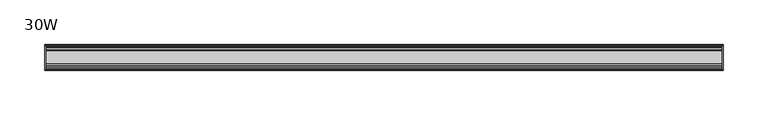
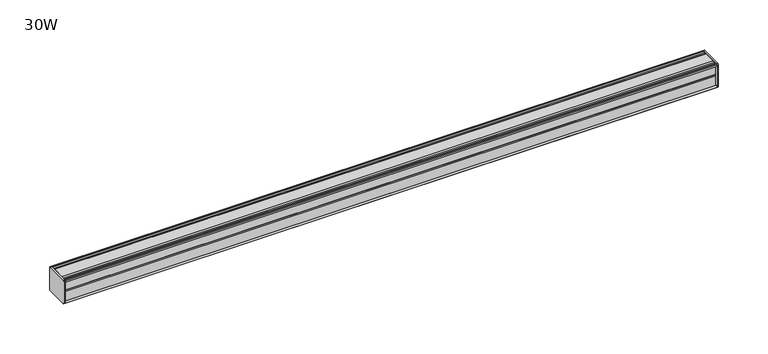
"""IFC4 building model written with IfcOpenShell, lengths in millimetres: furniture geometry, 30W."""

from ifc_helpers import new_model, si_unit, frame, origin, place, context, project, spatial, circle_curve, source, transform, mapped, element, save
from ifc_brep_helpers import plane_surface, cylinder_surface, advanced_brep


def furniture_30w_c94cd3f0(model_context):
    return source(origin(), model_context, "Body", "AdvancedBrep", [
        advanced_brep(
        [(379.4125, 14.5851562, 1370.1742662), (379.4125, 14.5851562, 1344.0239277), (379.4125, 14.4138595, 1343.2180397), (379.4125, 13.8374434, 1342.6416237), (379.4125, 12.9019306, 1342.3909531), (379.4125, -13.4067434, 1342.3909531), (379.4125, -14.3040014, 1343.2882111), (379.4125, -14.5851563, 1344.0566198), (379.4125, -14.5851563, 1369.9749727), (379.4125, -14.3040014, 1370.7433814), (379.4125, -13.4464303, 1371.6009525), (379.4125, 13.0500437, 1371.6009525), (379.4125, 13.8374434, 1371.3899688), (379.4125, 14.4138595, 1370.8135528), (381.0, 14.6248431, 1370.0261531), (381.0, 14.4138595, 1370.8135528), (381.0, 13.8374434, 1371.3899688), (381.0, 13.0500437, 1371.6009525), (381.0, -13.4464303, 1371.6009525), (381.0, -14.3040014, 1370.7433814), (381.0, -14.5851563, 1369.9749727), (381.0, -14.5851563, 1344.0566198), (381.0, -14.3040014, 1343.2882111), (381.0, -13.4067434, 1342.3909531), (381.0, 12.9019306, 1342.3909531), (381.0, 13.8374434, 1342.6416237), (381.0, 14.4138595, 1343.2180397), (381.0, 14.5851562, 1344.0239277)],
        [
            (0, 1),
            (1, 2),
            (2, 3),
            (3, 4),
            (4, 5),
            (5, 6),
            (6, 7, circle_curve(frame((379.4125, -13.3945313, 1344.0566198), z_axis=(-1.0, 0.0, 0.0), x_axis=(0.0, 1.0, 0.0)), 1.190625)),
            (7, 8),
            (8, 9, circle_curve(frame((379.4125, -13.3945313, 1369.9749727), z_axis=(-1.0, 0.0, 0.0), x_axis=(0.0, 1.0, 0.0)), 1.190625)),
            (9, 10),
            (10, 11),
            (11, 12),
            (12, 13),
            (13, 0),
            (14, 15),
            (15, 16),
            (16, 17),
            (17, 18),
            (18, 19),
            (19, 20, circle_curve(frame((381.0, -13.3945313, 1369.9749727), z_axis=(1.0, 0.0, 0.0), x_axis=(0.0, 1.0, 0.0)), 1.190625)),
            (20, 21),
            (21, 22, circle_curve(frame((381.0, -13.3945313, 1344.0566198), z_axis=(1.0, 0.0, 0.0), x_axis=(0.0, 1.0, 0.0)), 1.190625)),
            (22, 23),
            (23, 24),
            (24, 25),
            (25, 26),
            (26, 27),
            (27, 14),
            (13, 15),
            (14, 0),
            (12, 16),
            (11, 17),
            (10, 18),
            (9, 19),
            (8, 20),
            (7, 21),
            (6, 22),
            (5, 23),
            (4, 24),
            (3, 25),
            (2, 26),
            (1, 27),
        ],
        [
            plane_surface(frame((379.4125, 14.5851562, 1344.0239277), z_axis=(-1.0, 0.0, 0.0), x_axis=(0.0, 0.0, -1.0))),
            plane_surface(frame((381.0, 14.5851562, 1344.0239277), z_axis=(1.0, 0.0, 0.0), x_axis=(0.0, 0.0, 1.0))),
            plane_surface(frame((379.4125, 14.4138595, 1370.8135528), z_axis=(0.0, 0.9659256560349851, 0.25881968049857335), x_axis=(1.0, 0.0, 0.0))),
            plane_surface(frame((379.4125, 13.8374434, 1371.3899688), z_axis=(0.0, 0.7071067811866345, 0.7071067811864606), x_axis=(1.0, 0.0, 0.0))),
            plane_surface(frame((379.4125, 13.0500437, 1371.6009525), z_axis=(0.0, 0.2588196804711877, 0.9659256560423232), x_axis=(1.0, 0.0, 0.0))),
            plane_surface(frame((379.4125, -13.4464303, 1371.6009525), z_axis=(0.0, 0.0, 1.0), x_axis=(1.0, 0.0, 0.0))),
            plane_surface(frame((379.4125, -14.3040014, 1370.7433814), z_axis=(0.0, -0.70710678117674, 0.7071067811963553), x_axis=(1.0, 0.0, 0.0))),
            cylinder_surface(frame((381.0, -13.3945313, 1369.9749727), z_axis=(-1.0, 0.0, 0.0), x_axis=(0.0, 1.0, 0.0)), 1.190625),
            plane_surface(frame((379.4125, -14.5851563, 1344.0566198), z_axis=(0.0, -1.0, 0.0), x_axis=(1.0, 0.0, 0.0))),
            cylinder_surface(frame((381.0, -13.3945313, 1344.0566198), z_axis=(-1.0, 0.0, 0.0), x_axis=(0.0, 1.0, 0.0)), 1.190625),
            plane_surface(frame((379.4125, -13.4067434, 1342.3909531), z_axis=(0.0, -0.7071067811916553, -0.7071067811814398), x_axis=(1.0, 0.0, 0.0))),
            plane_surface(frame((379.4125, 12.9019306, 1342.3909531), z_axis=(0.0, 0.0, -1.0), x_axis=(1.0, 0.0, 0.0))),
            plane_surface(frame((379.4125, 13.8374434, 1342.6416237), z_axis=(0.0, 0.2588196804985645, -0.9659256560349875), x_axis=(1.0, 0.0, 0.0))),
            plane_surface(frame((379.4125, 14.4138595, 1343.2180397), z_axis=(0.0, 0.7071067811865204, -0.7071067811865748), x_axis=(1.0, 0.0, 0.0))),
            plane_surface(frame((379.4125, 14.5851562, 1344.0239277), z_axis=(0.0, 0.9781476007310527, -0.207911690830711), x_axis=(1.0, 0.0, 0.0))),
            plane_surface(frame((379.4125, 14.5851562, 1370.1742662), z_axis=(0.0, 1.0, 0.0), x_axis=(1.0, 0.0, 0.0))),
        ],
        [
            (0, [[1, 2, 3, 4, 5, 6, 7, 8, 9, 10, 11, 12, 13, 14]]),
            (1, [[15, 16, 17, 18, 19, 20, 21, 22, 23, 24, 25, 26, 27, 28]]),
            (2, [[-14, 29, -15, 30]]),
            (3, [[-13, 31, -16, -29]]),
            (4, [[-12, 32, -17, -31]]),
            (5, [[-11, 33, -18, -32]]),
            (6, [[-10, 34, -19, -33]]),
            (7, [[-9, 35, -20, -34]]),
            (8, [[-8, 36, -21, -35]]),
            (9, [[-7, 37, -22, -36]]),
            (10, [[-6, 38, -23, -37]]),
            (11, [[-5, 39, -24, -38]]),
            (12, [[-4, 40, -25, -39]]),
            (13, [[-3, 41, -26, -40]]),
            (14, [[-2, 42, -27, -41]]),
            (15, [[-1, -30, -28, -42]]),
        ],
    ),
        advanced_brep(
        [(-379.4125, 14.6248431, 1370.0261531), (-379.4125, 14.4138595, 1370.8135528), (-379.4125, 13.8374434, 1371.3899688), (-379.4125, 13.0500437, 1371.6009525), (-379.4125, -13.4464303, 1371.6009525), (-379.4125, -14.3040014, 1370.7433814), (-379.4125, -14.5851563, 1369.9749727), (-379.4125, -14.5851563, 1344.0566198), (-379.4125, -14.3040014, 1343.2882111), (-379.4125, -13.4067434, 1342.3909531), (-379.4125, 12.9019306, 1342.3909531), (-379.4125, 13.8374434, 1342.6416237), (-379.4125, 14.4138595, 1343.2180397), (-379.4125, 14.5851562, 1344.0239277), (-381.0, 14.5851562, 1370.1742662), (-381.0, 14.5851562, 1344.0239277), (-381.0, 14.4138595, 1343.2180397), (-381.0, 13.8374434, 1342.6416237), (-381.0, 12.9019306, 1342.3909531), (-381.0, -13.4067434, 1342.3909531), (-381.0, -14.3040014, 1343.2882111), (-381.0, -14.5851563, 1344.0566198), (-381.0, -14.5851563, 1369.9749727), (-381.0, -14.3040014, 1370.7433814), (-381.0, -13.4464303, 1371.6009525), (-381.0, 13.0500437, 1371.6009525), (-381.0, 13.8374434, 1371.3899688), (-381.0, 14.4138595, 1370.8135528)],
        [
            (0, 1),
            (1, 2),
            (2, 3),
            (3, 4),
            (4, 5),
            (5, 6, circle_curve(frame((-379.4125, -13.3945313, 1369.9749727), z_axis=(1.0, 0.0, 0.0), x_axis=(0.0, 1.0, 0.0)), 1.190625)),
            (6, 7),
            (7, 8, circle_curve(frame((-379.4125, -13.3945313, 1344.0566198), z_axis=(1.0, 0.0, 0.0), x_axis=(0.0, 1.0, 0.0)), 1.190625)),
            (8, 9),
            (9, 10),
            (10, 11),
            (11, 12),
            (12, 13),
            (13, 0),
            (14, 15),
            (15, 16),
            (16, 17),
            (17, 18),
            (18, 19),
            (19, 20),
            (20, 21, circle_curve(frame((-381.0, -13.3945313, 1344.0566198), z_axis=(-1.0, 0.0, 0.0), x_axis=(0.0, 1.0, 0.0)), 1.190625)),
            (21, 22),
            (22, 23, circle_curve(frame((-381.0, -13.3945313, 1369.9749727), z_axis=(-1.0, 0.0, 0.0), x_axis=(0.0, 1.0, 0.0)), 1.190625)),
            (23, 24),
            (24, 25),
            (25, 26),
            (26, 27),
            (27, 14),
            (0, 14),
            (27, 1),
            (26, 2),
            (25, 3),
            (24, 4),
            (23, 5),
            (22, 6),
            (21, 7),
            (20, 8),
            (19, 9),
            (18, 10),
            (17, 11),
            (16, 12),
            (15, 13),
        ],
        [
            plane_surface(frame((-379.4125, 14.6248431, 1370.0261531), z_axis=(1.0, 0.0, 0.0), x_axis=(0.0, -0.2588196804390474, 0.965925656050935))),
            plane_surface(frame((-381.0, 14.6248431, 1370.0261531), z_axis=(-1.0, 0.0, 0.0), x_axis=(0.0, 0.2588196804390474, -0.965925656050935))),
            plane_surface(frame((-379.4125, 14.6248431, 1370.0261531), z_axis=(0.0, 0.965925656050935, 0.2588196804390474), x_axis=(-1.0, 0.0, 0.0))),
            plane_surface(frame((-379.4125, 14.4138595, 1370.8135528), z_axis=(0.0, 0.7071067810676273, 0.7071067813054679), x_axis=(-1.0, 0.0, 0.0))),
            plane_surface(frame((-379.4125, 13.8374434, 1371.3899688), z_axis=(0.0, 0.2588196804841774, 0.9659256560388426), x_axis=(-1.0, 0.0, 0.0))),
            plane_surface(frame((-379.4125, 13.0500437, 1371.6009525), z_axis=(0.0, 0.0, 1.0), x_axis=(-1.0, 0.0, 0.0))),
            plane_surface(frame((-379.4125, -13.4464303, 1371.6009525), z_axis=(0.0, -0.7071067811882461, 0.7071067811848489), x_axis=(-1.0, 0.0, 0.0))),
            cylinder_surface(frame((-381.0, -13.3945313, 1369.9749727), z_axis=(1.0, 0.0, 0.0), x_axis=(0.0, 1.0, 0.0)), 1.190625),
            plane_surface(frame((-379.4125, -14.5851563, 1369.9749727), z_axis=(0.0, -1.0, 0.0), x_axis=(-1.0, 0.0, 0.0))),
            cylinder_surface(frame((-381.0, -13.3945313, 1344.0566198), z_axis=(1.0, 0.0, 0.0), x_axis=(0.0, 1.0, 0.0)), 1.190625),
            plane_surface(frame((-379.4125, -14.3040014, 1343.2882111), z_axis=(0.0, -0.7071067811865326, -0.7071067811865626), x_axis=(-1.0, 0.0, 0.0))),
            plane_surface(frame((-379.4125, -13.4067434, 1342.3909531), z_axis=(0.0, 0.0, -1.0), x_axis=(-1.0, 0.0, 0.0))),
            plane_surface(frame((-379.4125, 12.9019306, 1342.3909531), z_axis=(0.0, 0.25881968049856513, -0.9659256560349874), x_axis=(-1.0, 0.0, 0.0))),
            plane_surface(frame((-379.4125, 13.8374434, 1342.6416237), z_axis=(0.0, 0.707106781186519, -0.7071067811865761), x_axis=(-1.0, 0.0, 0.0))),
            plane_surface(frame((-379.4125, 14.4138595, 1343.2180397), z_axis=(0.0, 0.9781476007314348, -0.20791169082891317), x_axis=(-1.0, 0.0, 0.0))),
            plane_surface(frame((-379.4125, 14.5851562, 1344.0239277), z_axis=(0.0, 1.0, 0.0), x_axis=(-1.0, 0.0, 0.0))),
        ],
        [
            (0, [[1, 2, 3, 4, 5, 6, 7, 8, 9, 10, 11, 12, 13, 14]]),
            (1, [[15, 16, 17, 18, 19, 20, 21, 22, 23, 24, 25, 26, 27, 28]]),
            (2, [[-1, 29, -28, 30]]),
            (3, [[-2, -30, -27, 31]]),
            (4, [[-3, -31, -26, 32]]),
            (5, [[-4, -32, -25, 33]]),
            (6, [[-5, -33, -24, 34]]),
            (7, [[-6, -34, -23, 35]]),
            (8, [[-7, -35, -22, 36]]),
            (9, [[-8, -36, -21, 37]]),
            (10, [[-9, -37, -20, 38]]),
            (11, [[-10, -38, -19, 39]]),
            (12, [[-11, -39, -18, 40]]),
            (13, [[-12, -40, -17, 41]]),
            (14, [[-13, -41, -16, 42]]),
            (15, [[-14, -42, -15, -29]]),
        ],
    ),
        advanced_brep(
        [(379.4125, -7.3748315, 1371.6009525), (379.4125, -8.9105708, 1370.5702196), (379.4125, -10.7601399, 1370.5702196), (379.4125, -12.2958792, 1371.6009525), (379.4125, -13.4464303, 1371.6009525), (379.4125, -14.3040014, 1370.7433814), (379.4125, -13.3945313, 1368.7843477), (379.4125, -13.3945313, 1369.695952), (379.4125, -12.2039063, 1369.695952), (379.4125, -12.2039063, 1357.7897032), (379.4125, -11.4101564, 1356.9959534), (379.4125, -12.2039063, 1356.2022036), (379.4125, -12.2039063, 1344.2959531), (379.4125, -13.3945313, 1344.2959531), (379.4125, -13.3945313, 1345.2472448), (379.4125, -14.3040014, 1343.2882111), (379.4125, -13.4067434, 1342.3909531), (379.4125, -12.2958792, 1342.3909531), (379.4125, -10.7601399, 1343.4216871), (379.4125, -8.9105708, 1343.4216871), (379.4125, -7.4339628, 1342.43064), (379.4125, 7.4145184, 1342.43064), (379.4125, 8.9502576, 1343.4613729), (379.4125, 10.7998291, 1343.4613729), (379.4125, 12.2275037, 1342.43064), (379.4125, 13.0500437, 1342.43064), (379.4125, 13.8374434, 1342.6416237), (379.4125, 14.4138595, 1343.2180397), (379.4125, 14.5851562, 1344.0239277), (379.4125, 14.5851562, 1370.1742662), (379.4125, 14.4138595, 1370.8135528), (379.4125, 13.8374434, 1371.3899688), (379.4125, 13.0500437, 1371.6009525), (379.4125, 12.2275037, 1371.6009525), (379.4125, 10.7998291, 1370.5702196), (379.4125, 8.9502576, 1370.5702196), (379.4125, 7.4145184, 1371.6009525), (-379.4125, -7.3748315, 1371.6009525), (-379.4125, 7.4145184, 1371.6009525), (-379.4125, 8.9502576, 1370.5702196), (-379.4125, 10.7998291, 1370.5702196), (-379.4125, 12.2275037, 1371.6009525), (-379.4125, 13.0500437, 1371.6009525), (-379.4125, 13.8374434, 1371.3899688), (-379.4125, 14.4138595, 1370.8135528), (-379.4125, 14.6248431, 1370.0261531), (-379.4125, 14.5851562, 1344.0239277), (-379.4125, 14.4138595, 1343.2180397), (-379.4125, 13.8374434, 1342.6416237), (-379.4125, 13.0500437, 1342.43064), (-379.4125, 12.2275037, 1342.43064), (-379.4125, 10.7998291, 1343.4613729), (-379.4125, 8.9502576, 1343.4613729), (-379.4125, 7.4145184, 1342.43064), (-379.4125, -7.4339628, 1342.43064), (-379.4125, -8.9105708, 1343.4216871), (-379.4125, -10.7601399, 1343.4216871), (-379.4125, -12.2958792, 1342.3909531), (-379.4125, -13.4067434, 1342.3909531), (-379.4125, -14.3040014, 1343.2882111), (-379.4125, -13.3945313, 1345.2472448), (-379.4125, -13.3945313, 1344.2959531), (-379.4125, -12.2039063, 1344.2959531), (-379.4125, -12.2039063, 1356.2022036), (-379.4125, -11.4101564, 1356.9959534), (-379.4125, -12.2039063, 1357.7897032), (-379.4125, -12.2039063, 1369.695952), (-379.4125, -13.3945313, 1369.695952), (-379.4125, -13.3945313, 1368.7843477), (-379.4125, -14.3040014, 1370.7433814), (-379.4125, -13.4464303, 1371.6009525), (-379.4125, -12.2958792, 1371.6009525), (-379.4125, -10.7601399, 1370.5702196), (-379.4125, -8.9105708, 1370.5702196)],
        [
            (0, 1),
            (1, 2),
            (2, 3),
            (3, 4),
            (4, 5),
            (5, 6, circle_curve(frame((379.4125, -13.3945313, 1369.9749727), z_axis=(1.0, 0.0, 0.0), x_axis=(0.0, 1.0, 0.0)), 1.190625)),
            (6, 7),
            (7, 8),
            (8, 9),
            (9, 10),
            (10, 11),
            (11, 12),
            (12, 13),
            (13, 14),
            (14, 15, circle_curve(frame((379.4125, -13.3945313, 1344.0566198), z_axis=(1.0, 0.0, 0.0), x_axis=(0.0, 1.0, 0.0)), 1.190625)),
            (15, 16),
            (16, 17),
            (17, 18),
            (18, 19),
            (19, 20),
            (20, 21),
            (21, 22),
            (22, 23),
            (23, 24),
            (24, 25),
            (25, 26),
            (26, 27),
            (27, 28),
            (28, 29),
            (29, 30),
            (30, 31),
            (31, 32),
            (32, 33),
            (33, 34),
            (34, 35),
            (35, 36),
            (36, 0),
            (37, 38),
            (38, 39),
            (39, 40),
            (40, 41),
            (41, 42),
            (42, 43),
            (43, 44),
            (44, 45),
            (45, 46),
            (46, 47),
            (47, 48),
            (48, 49),
            (49, 50),
            (50, 51),
            (51, 52),
            (52, 53),
            (53, 54),
            (54, 55),
            (55, 56),
            (56, 57),
            (57, 58),
            (58, 59),
            (59, 60, circle_curve(frame((-379.4125, -13.3945313, 1344.0566198), z_axis=(-1.0, 0.0, 0.0), x_axis=(0.0, 1.0, 0.0)), 1.190625)),
            (60, 61),
            (61, 62),
            (62, 63),
            (63, 64),
            (64, 65),
            (65, 66),
            (66, 67),
            (67, 68),
            (68, 69, circle_curve(frame((-379.4125, -13.3945313, 1369.9749727), z_axis=(-1.0, 0.0, 0.0), x_axis=(0.0, 1.0, 0.0)), 1.190625)),
            (69, 70),
            (70, 71),
            (71, 72),
            (72, 73),
            (73, 37),
            (0, 37),
            (73, 1),
            (72, 2),
            (71, 3),
            (70, 4),
            (69, 5),
            (68, 6),
            (67, 7),
            (66, 8),
            (65, 9),
            (64, 10),
            (63, 11),
            (62, 12),
            (61, 13),
            (60, 14),
            (59, 15),
            (58, 16),
            (57, 17),
            (56, 18),
            (55, 19),
            (54, 20),
            (53, 21),
            (52, 22),
            (51, 23),
            (50, 24),
            (49, 25),
            (48, 26),
            (47, 27),
            (46, 28),
            (45, 29),
            (44, 30),
            (43, 31),
            (42, 32),
            (41, 33),
            (40, 34),
            (39, 35),
            (38, 36),
        ],
        [
            plane_surface(frame((379.4125, -7.3748315, 1371.6009525), z_axis=(1.0, 0.0, 0.0), x_axis=(0.0, -0.8303227972603312, -0.5572827400429506))),
            plane_surface(frame((-379.4125, -7.3748315, 1371.6009525), z_axis=(-1.0, 0.0, 0.0), x_axis=(0.0, 0.8303227972603312, 0.5572827400429506))),
            plane_surface(frame((379.4125, -7.3748315, 1371.6009525), z_axis=(0.0, -0.5572827400429506, 0.8303227972603312), x_axis=(-1.0, 0.0, 0.0))),
            plane_surface(frame((379.4125, -8.9105708, 1370.5702196), z_axis=(0.0, 0.0, 1.0), x_axis=(-1.0, 0.0, 0.0))),
            plane_surface(frame((379.4125, -10.7601399, 1370.5702196), z_axis=(0.0, 0.557282740042951, 0.8303227972603311), x_axis=(-1.0, 0.0, 0.0))),
            plane_surface(frame((379.4125, -12.2958792, 1371.6009525), z_axis=(0.0, 0.0, 1.0), x_axis=(-1.0, 0.0, 0.0))),
            plane_surface(frame((379.4125, -13.4464303, 1371.6009525), z_axis=(0.0, -0.7071067811813211, 0.707106781191774), x_axis=(-1.0, 0.0, 0.0))),
            cylinder_surface(frame((-379.4125, -13.3945313, 1369.9749727), z_axis=(1.0, 0.0, 0.0), x_axis=(0.0, 1.0, 0.0)), 1.190625),
            plane_surface(frame((379.4125, -13.3945313, 1368.7843477), z_axis=(0.0, 1.0, 0.0), x_axis=(-1.0, 0.0, 0.0))),
            plane_surface(frame((379.4125, -13.3945313, 1369.695952), z_axis=(0.0, 0.0, -1.0), x_axis=(-1.0, 0.0, 0.0))),
            plane_surface(frame((379.4125, -12.2039063, 1369.695952), z_axis=(0.0, -1.0, 0.0), x_axis=(-1.0, 0.0, 0.0))),
            plane_surface(frame((379.4125, -12.2039063, 1357.7897032), z_axis=(0.0, -0.7071067811865146, -0.7071067811865805), x_axis=(-1.0, 0.0, 0.0))),
            plane_surface(frame((379.4125, -11.4101564, 1356.9959534), z_axis=(0.0, -0.7071067811865522, 0.7071067811865428), x_axis=(-1.0, 0.0, 0.0))),
            plane_surface(frame((379.4125, -12.2039063, 1356.2022036), z_axis=(0.0, -1.0, 0.0), x_axis=(-1.0, 0.0, 0.0))),
            plane_surface(frame((379.4125, -12.2039063, 1344.2959531), z_axis=(0.0, 0.0, 1.0), x_axis=(-1.0, 0.0, 0.0))),
            plane_surface(frame((379.4125, -13.3945313, 1344.2959531), z_axis=(0.0, 1.0, 0.0), x_axis=(-1.0, 0.0, 0.0))),
            cylinder_surface(frame((-379.4125, -13.3945313, 1344.0566198), z_axis=(1.0, 0.0, 0.0), x_axis=(0.0, 1.0, 0.0)), 1.190625),
            plane_surface(frame((379.4125, -14.3040014, 1343.2882111), z_axis=(0.0, -0.7071067811865892, -0.7071067811865058), x_axis=(-1.0, 0.0, 0.0))),
            plane_surface(frame((379.4125, -13.4067434, 1342.3909531), z_axis=(0.0, 0.0, -1.0), x_axis=(-1.0, 0.0, 0.0))),
            plane_surface(frame((379.4125, -12.2958792, 1342.3909531), z_axis=(0.0, 0.5572831632988446, -0.8303225131860712), x_axis=(-1.0, 0.0, 0.0))),
            plane_surface(frame((379.4125, -10.7601399, 1343.4216871), z_axis=(0.0, 0.0, -1.0), x_axis=(-1.0, 0.0, 0.0))),
            plane_surface(frame((379.4125, -8.9105708, 1343.4216871), z_axis=(0.0, -0.5572831633036728, -0.8303225131828307), x_axis=(-1.0, 0.0, 0.0))),
            plane_surface(frame((379.4125, -7.4339628, 1342.43064), z_axis=(0.0, 0.0, -1.0), x_axis=(-1.0, 0.0, 0.0))),
            plane_surface(frame((379.4125, 7.4145184, 1342.43064), z_axis=(0.0, 0.5572827400522353, -0.8303227972540997), x_axis=(-1.0, 0.0, 0.0))),
            plane_surface(frame((379.4125, 8.9502576, 1343.4613729), z_axis=(0.0, 0.0, -1.0), x_axis=(-1.0, 0.0, 0.0))),
            plane_surface(frame((379.4125, 10.7998291, 1343.4613729), z_axis=(0.0, -0.5853541342124147, -0.8107777362264177), x_axis=(-1.0, 0.0, 0.0))),
            plane_surface(frame((379.4125, 12.2275037, 1342.43064), z_axis=(0.0, 0.0, -1.0), x_axis=(-1.0, 0.0, 0.0))),
            plane_surface(frame((379.4125, 13.0500437, 1342.43064), z_axis=(0.0, 0.2588196804985639, -0.9659256560349877), x_axis=(-1.0, 0.0, 0.0))),
            plane_surface(frame((379.4125, 13.8374434, 1342.6416237), z_axis=(0.0, 0.7071067811865592, -0.7071067811865358), x_axis=(-1.0, 0.0, 0.0))),
            plane_surface(frame((379.4125, 14.4138595, 1343.2180397), z_axis=(0.0, 0.9781476007314349, -0.20791169082891267), x_axis=(-1.0, 0.0, 0.0))),
            plane_surface(frame((379.4125, 14.5851562, 1344.0239277), z_axis=(0.0, 1.0, 0.0), x_axis=(-1.0, 0.0, 0.0))),
            plane_surface(frame((379.4125, 14.6248431, 1370.0261531), z_axis=(0.0, 0.9659256560510463, 0.25881968043863257), x_axis=(-1.0, 0.0, 0.0))),
            plane_surface(frame((379.4125, 14.4138595, 1370.8135528), z_axis=(0.0, 0.7071067810666608, 0.7071067813064343), x_axis=(-1.0, 0.0, 0.0))),
            plane_surface(frame((379.4125, 13.8374434, 1371.3899688), z_axis=(0.0, 0.2588196804843108, 0.9659256560388069), x_axis=(-1.0, 0.0, 0.0))),
            plane_surface(frame((379.4125, 13.0500437, 1371.6009525), z_axis=(0.0, 0.0, 1.0), x_axis=(-1.0, 0.0, 0.0))),
            plane_surface(frame((379.4125, 12.2275037, 1371.6009525), z_axis=(0.0, -0.5853541342077658, 0.810777736229774), x_axis=(-1.0, 0.0, 0.0))),
            plane_surface(frame((379.4125, 10.7998291, 1370.5702196), z_axis=(0.0, 0.0, 1.0), x_axis=(-1.0, 0.0, 0.0))),
            plane_surface(frame((379.4125, 8.9502576, 1370.5702196), z_axis=(0.0, 0.557282740042951, 0.8303227972603311), x_axis=(-1.0, 0.0, 0.0))),
            plane_surface(frame((379.4125, 7.4145184, 1371.6009525), z_axis=(0.0, 0.0, 1.0), x_axis=(-1.0, 0.0, 0.0))),
        ],
        [
            (0, [[1, 2, 3, 4, 5, 6, 7, 8, 9, 10, 11, 12, 13, 14, 15, 16, 17, 18, 19, 20, 21, 22, 23, 24, 25, 26, 27, 28, 29, 30, 31, 32, 33, 34, 35, 36, 37]]),
            (1, [[38, 39, 40, 41, 42, 43, 44, 45, 46, 47, 48, 49, 50, 51, 52, 53, 54, 55, 56, 57, 58, 59, 60, 61, 62, 63, 64, 65, 66, 67, 68, 69, 70, 71, 72, 73, 74]]),
            (2, [[-1, 75, -74, 76]]),
            (3, [[-2, -76, -73, 77]]),
            (4, [[-3, -77, -72, 78]]),
            (5, [[-4, -78, -71, 79]]),
            (6, [[-5, -79, -70, 80]]),
            (7, [[-6, -80, -69, 81]]),
            (8, [[-7, -81, -68, 82]]),
            (9, [[-8, -82, -67, 83]]),
            (10, [[-9, -83, -66, 84]]),
            (11, [[-10, -84, -65, 85]]),
            (12, [[-11, -85, -64, 86]]),
            (13, [[-12, -86, -63, 87]]),
            (14, [[-13, -87, -62, 88]]),
            (15, [[-14, -88, -61, 89]]),
            (16, [[-15, -89, -60, 90]]),
            (17, [[-16, -90, -59, 91]]),
            (18, [[-17, -91, -58, 92]]),
            (19, [[-18, -92, -57, 93]]),
            (20, [[-19, -93, -56, 94]]),
            (21, [[-20, -94, -55, 95]]),
            (22, [[-21, -95, -54, 96]]),
            (23, [[-22, -96, -53, 97]]),
            (24, [[-23, -97, -52, 98]]),
            (25, [[-24, -98, -51, 99]]),
            (26, [[-25, -99, -50, 100]]),
            (27, [[-26, -100, -49, 101]]),
            (28, [[-27, -101, -48, 102]]),
            (29, [[-28, -102, -47, 103]]),
            (30, [[-29, -103, -46, 104]]),
            (31, [[-30, -104, -45, 105]]),
            (32, [[-31, -105, -44, 106]]),
            (33, [[-32, -106, -43, 107]]),
            (34, [[-33, -107, -42, 108]]),
            (35, [[-34, -108, -41, 109]]),
            (36, [[-35, -109, -40, 110]]),
            (37, [[-36, -110, -39, 111]]),
            (38, [[-37, -111, -38, -75]]),
        ],
    ),
    ])


if __name__ == "__main__":
    model = new_model("IFC4")
    model_context = context("Model", 3, world=origin())
    ifc_project = project(units=[si_unit("LENGTHUNIT", "METRE", prefix="MILLI")], contexts=[model_context])
    site = spatial("IfcSite", under=ifc_project)
    building = spatial("IfcBuilding", under=site)
    placement = place(None, origin())
    furniture_30w_shape = furniture_30w_c94cd3f0(model_context)
    element("IfcFurniture", 1, ObjectType="30W", at=placement, inside=building, context=model_context, shape_type="MappedRepresentation", body=[
        mapped(furniture_30w_shape, transform((0.0, 0.0, 0.0), x_axis=(1.0, 0.0, 0.0), y_axis=(0.0, 1.0, 0.0), z_axis=(0.0, 0.0, 1.0))),
    ])
    save(model, "model.ifc")
